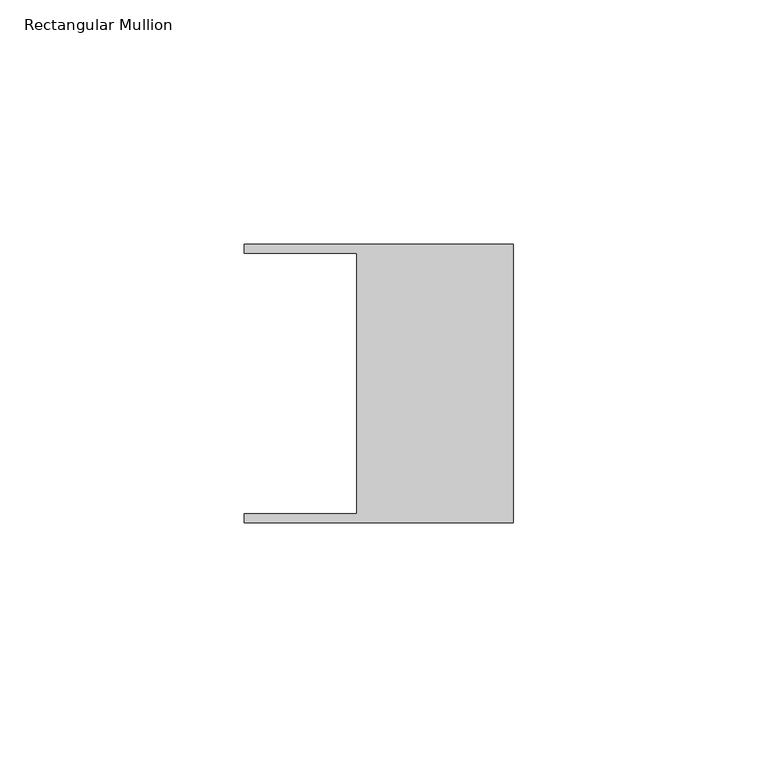
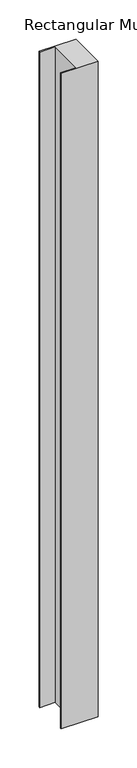
"""IFC4 building model written with IfcOpenShell, lengths in millimetres: member geometry, Rectangular Mullion."""

import ifcopenshell
import ifcopenshell.guid

model = None  # the IFC model being written
_history = None  # IfcOwnerHistory: only IFC2X3 demands one
_inside = {}  # id of a spatial element -> (the spatial element, [elements in it])
_under = {}  # id of a project, library or spatial element -> (it, [spatial elements below it])
_declared = {}  # id of a project -> (the project, [libraries it declares])
_typed = {}  # id of a type object -> (the type object, [elements of that type])
_made_of = {}  # id of a material, layer set ... -> (it, [elements and type objects made of it])


def new_model(schema):
    """Start an empty IFC model of exactly this schema.

    Asked for "IFC4X3", IfcOpenShell would pick the latest addendum, in which some entities
    have other attributes; the version numbers below select the first issue.
    IFC2X3 requires an IfcOwnerHistory on every rooted entity: one is made here for all.
    """
    global model, _history
    if schema == "IFC4X3":
        model = ifcopenshell.file(schema_version=(4, 3, 0, 0))
    else:
        model = ifcopenshell.file(schema=schema)
    _inside.clear()
    _under.clear()
    _declared.clear()
    _typed.clear()
    _made_of.clear()
    _history = None
    if model.schema == "IFC2X3":
        org = make("IfcOrganization", Name="unknown")
        user = make(
            "IfcPersonAndOrganization",
            ThePerson=make("IfcPerson", FamilyName="unknown"),
            TheOrganization=org,
        )
        app = make(
            "IfcApplication",
            ApplicationDeveloper=org,
            Version="unknown",
            ApplicationFullName="unknown",
            ApplicationIdentifier="unknown",
        )
        _history = make(
            "IfcOwnerHistory",
            OwningUser=user,
            OwningApplication=app,
            ChangeAction="ADDED",
            CreationDate=0,
        )
    return model


def make(cls, **values):
    """One entity of the class cls with the attributes given. An attribute that is None is left unset."""
    return model.create_entity(
        cls, **{name: value for name, value in values.items() if value is not None}
    )


def rooted(cls, **values):
    """An entity with a GlobalId (a new one), such as an element, a storey or a relation."""
    return make(cls, GlobalId=ifcopenshell.guid.new(), OwnerHistory=_history, **values)


def si_unit(unit_type, name, prefix=None):
    """IfcSIUnit, for example si_unit("LENGTHUNIT", "METRE", prefix="MILLI")."""
    return make("IfcSIUnit", UnitType=unit_type, Prefix=prefix, Name=name)


def assignment(units):
    """IfcUnitAssignment: the units of a project."""
    return None if units is None else make("IfcUnitAssignment", Units=units)


def point(xyz):
    """IfcCartesianPoint."""
    return None if xyz is None else make("IfcCartesianPoint", Coordinates=xyz)


def direction(xyz):
    """IfcDirection."""
    return None if xyz is None else make("IfcDirection", DirectionRatios=xyz)


def frame(location, z_axis=None, x_axis=None):
    """IfcAxis2Placement3D, a coordinate frame: its origin and axes. An axis left out is left unset."""
    return make(
        "IfcAxis2Placement3D",
        Location=point(location),
        Axis=direction(z_axis),
        RefDirection=direction(x_axis),
    )


def origin():
    """The frame at (0, 0, 0) with its axes left unset."""
    return frame((0.0, 0.0, 0.0))


def place(relative_to, where):
    """IfcLocalPlacement: puts the frame where relative to a parent placement (None: the world)."""
    return make(
        "IfcLocalPlacement", PlacementRelTo=relative_to, RelativePlacement=where
    )


def context(
    kind, dimensions, precision=None, world=None, true_north=None, identifier=None
):
    """IfcGeometricRepresentationContext, for example the 3D "Model" context."""
    return make(
        "IfcGeometricRepresentationContext",
        ContextIdentifier=identifier,
        ContextType=kind,
        CoordinateSpaceDimension=dimensions,
        Precision=precision,
        WorldCoordinateSystem=world,
        TrueNorth=true_north,
    )


def project(units=None, contexts=None):
    """IfcProject with its units and contexts."""
    return rooted(
        "IfcProject",
        Name="project",
        RepresentationContexts=contexts,
        UnitsInContext=assignment(units),
    )


def spatial(cls, under=None, at=None, **own):
    """A site, building, storey or space (cls), placed at a placement, below another one or the project."""
    s = rooted(cls, ObjectPlacement=at, **own)
    if under is not None:
        _under.setdefault(under.id(), (under, []))[1].append(s)
    return s


def polyline(points):
    """IfcPolyline through the points."""
    return make("IfcPolyline", Points=[point(p) for p in points])


def outline(outer, holes=None, kind="AREA"):
    """IfcArbitraryClosedProfileDef: a profile drawn as a closed curve; with holes, ...WithVoids."""
    if holes is None:
        return make("IfcArbitraryClosedProfileDef", ProfileType=kind, OuterCurve=outer)
    return make(
        "IfcArbitraryProfileDefWithVoids",
        ProfileType=kind,
        OuterCurve=outer,
        InnerCurves=holes,
    )


def extrude(swept, where, along, depth):
    """IfcExtrudedAreaSolid: the profile swept, set in the frame where, extruded along a direction by depth."""
    return make(
        "IfcExtrudedAreaSolid",
        SweptArea=swept,
        Position=where,
        ExtrudedDirection=direction(along),
        Depth=depth,
    )


def shape(context_of_items, identifier, shape_type, items):
    """IfcShapeRepresentation: the items that make up one representation, for example the "Body"."""
    return make(
        "IfcShapeRepresentation",
        ContextOfItems=context_of_items,
        RepresentationIdentifier=identifier,
        RepresentationType=shape_type,
        Items=items,
    )


def source(mapping_origin, context_of_items, identifier, shape_type, items):
    """IfcRepresentationMap: a shape defined once, which mapped items show again and again."""
    return make(
        "IfcRepresentationMap",
        MappingOrigin=mapping_origin,
        MappedRepresentation=shape(context_of_items, identifier, shape_type, items),
    )


def transform(
    local_origin,
    x_axis=None,
    y_axis=None,
    z_axis=None,
    scale=None,
    scale2=None,
    scale3=None,
    uniform=True,
):
    """IfcCartesianTransformationOperator3D, or its non-uniform kind. x_axis, y_axis, z_axis: its Axis1, 2, 3."""
    if uniform:
        return make(
            "IfcCartesianTransformationOperator3D",
            Axis1=direction(x_axis),
            Axis2=direction(y_axis),
            LocalOrigin=point(local_origin),
            Scale=scale,
            Axis3=direction(z_axis),
        )
    return make(
        "IfcCartesianTransformationOperator3DnonUniform",
        Axis1=direction(x_axis),
        Axis2=direction(y_axis),
        LocalOrigin=point(local_origin),
        Scale=scale,
        Axis3=direction(z_axis),
        Scale2=scale2,
        Scale3=scale3,
    )


def mapped(mapping_source, mapping_target):
    """IfcMappedItem: shows the shape of a source again, moved by a transform."""
    return make(
        "IfcMappedItem", MappingSource=mapping_source, MappingTarget=mapping_target
    )


def made_of(thing, what):
    """Note that an element or type object is made of a material, layer set ...; save() writes the relation."""
    if what is not None:
        _made_of.setdefault(what.id(), (what, []))[1].append(thing)
    return thing


def element(
    cls,
    number,
    at=None,
    inside=None,
    cuts=None,
    type_object=None,
    material=None,
    context=None,
    identifier="Body",
    shape_type=None,
    held_by="IfcProductDefinitionShape",
    body=None,
    shapes=None,
    **own,
):
    """One element of the class cls, such as IfcWall. Its Tag is "e" and its number.

    at: its placement. inside: the storey or other place that contains it. cuts: it is an
    opening in that element (IfcRelVoidsElement). A single representation is given by context,
    identifier, shape_type and body (its items); several are given by shapes. held_by: the class
    of the entity that holds the representations. save() writes the other relations.
    """
    e = rooted(cls, Tag="e%d" % number, ObjectPlacement=at, **own)
    if body is not None:
        shapes = [shape(context, identifier, shape_type, body)]
    if shapes is not None:
        e.Representation = make(held_by, Representations=shapes)
    if inside is not None:
        _inside.setdefault(inside.id(), (inside, []))[1].append(e)
    if cuts is not None:
        rooted(
            "IfcRelVoidsElement", RelatingBuildingElement=cuts, RelatedOpeningElement=e
        )
    if type_object is not None:
        _typed.setdefault(type_object.id(), (type_object, []))[1].append(e)
    return made_of(e, material)


def aggregate(whole, parts):
    """IfcRelAggregates: a whole, such as a stair, and the parts it consists of."""
    return rooted("IfcRelAggregates", RelatingObject=whole, RelatedObjects=parts)


def save(model, path):
    """Write the relations noted so far, then the file.

    IfcRelAggregates (storeys below a building ...), IfcRelContainedInSpatialStructure (elements
    in a storey), IfcRelDefinesByType, IfcRelAssociatesMaterial and IfcRelDeclares: one each for
    every whole, place, type object, material and project.
    """
    for whole, parts in _under.values():
        aggregate(whole, parts)
    for where, things in _inside.values():
        rooted(
            "IfcRelContainedInSpatialStructure",
            RelatedElements=things,
            RelatingStructure=where,
        )
    for kind, things in _typed.values():
        rooted("IfcRelDefinesByType", RelatedObjects=things, RelatingType=kind)
    for what, things in _made_of.values():
        rooted("IfcRelAssociatesMaterial", RelatedObjects=things, RelatingMaterial=what)
    for by, libraries in _declared.values():
        rooted("IfcRelDeclares", RelatingContext=by, RelatedDefinitions=libraries)
    model.write(path)


def rectangular_mullion_12e45e02(model_context):
    return source(origin(), model_context, "Body", "SweptSolid", [
        extrude(outline(polyline([(-32.004, -26.67), (-32.004, 26.67), (-54.991, 26.67), (-54.991, 28.448), (0.0, 28.448), (0.0, -28.448), (-54.991, -28.448), (-54.991, -26.67), (-32.004, -26.67)])), frame((0.0, 0.0, -1024.9917465), z_axis=(0.0, 0.0, 1.0), x_axis=(1.0, 0.0, 0.0)), (0.0, 0.0, 1.0), 1024.9917465),
    ])


if __name__ == "__main__":
    model = new_model("IFC4")
    model_context = context("Model", 3, world=origin())
    ifc_project = project(units=[si_unit("LENGTHUNIT", "METRE", prefix="MILLI")], contexts=[model_context])
    site = spatial("IfcSite", under=ifc_project)
    building = spatial("IfcBuilding", under=site)
    placement = place(None, origin())
    rectangular_mullion_shape = rectangular_mullion_12e45e02(model_context)
    element("IfcMember", 1, ObjectType="Rectangular Mullion", at=placement, inside=building, context=model_context, shape_type="MappedRepresentation", body=[
        mapped(rectangular_mullion_shape, transform((0.0, 0.0, 0.0), x_axis=(1.0, 0.0, 0.0), y_axis=(0.0, 1.0, 0.0), z_axis=(0.0, 0.0, 1.0))),
    ])
    save(model, "model.ifc")
